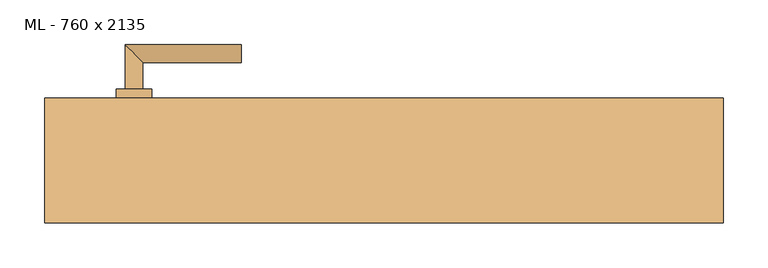
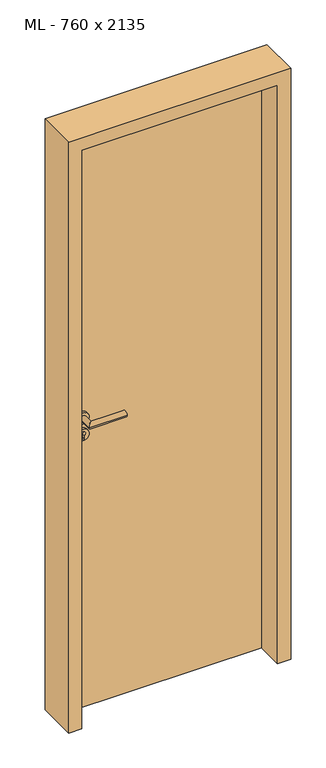
"""IFC4 building model written with IfcOpenShell, lengths in millimetres: door geometry, ML - 760 x 2135."""

from ifc_helpers import new_model, si_unit, point, frame, frame_2d, origin, origin_with_axes, place, context, project, spatial, polyline, circle_curve, ellipse_curve, trimmed, segment, composite_curve, outline, extrude, faceted_brep, source, transform, mapped, element, save
from ifc_brep_helpers import plane_surface, cylinder_surface, advanced_brep


def ml_760_x_2135_2df7d46e(model_context):
    return source(origin(), model_context, "Body", "SolidModel", [
        extrude(outline(polyline([(346.0, 70.0), (346.0, 25.0), (-346.0, 25.0), (-346.0, 70.0), (346.0, 70.0)])), origin_with_axes(), (0.0, 0.0, 1.0), 2101.0),
        advanced_brep(
        [(-270.0, 80.0, 1050.0), (-290.0, 80.0, 1050.0), (-270.0, 110.0, 1050.0), (-290.0, 130.0, 1050.0), (-160.0, 110.0, 1050.0), (-160.0, 130.0, 1050.0)],
        [
            (0, 1, circle_curve(frame((-280.0, 80.0, 1050.0), z_axis=(0.0, -1.0, 0.0), x_axis=(-1.0, 0.0, 0.0)), 10.0)),
            (1, 0, circle_curve(frame((-280.0, 80.0, 1050.0), z_axis=(0.0, -1.0, 0.0), x_axis=(-1.0, 0.0, 0.0)), 10.0)),
            (0, 2),
            (2, 3, ellipse_curve(frame((-280.0, 120.0, 1050.0), z_axis=(-0.7071067811865531, -0.7071067811865419, 0.0), x_axis=(0.707106781186542, -0.707106781186553, 0.0)), 14.1421356, 10.0)),
            (3, 1),
            (3, 2, ellipse_curve(frame((-280.0, 120.0, 1050.0), z_axis=(-0.7071067811865531, -0.7071067811865419, 0.0), x_axis=(0.707106781186542, -0.707106781186553, 0.0)), 14.1421356, 10.0)),
            (4, 5, circle_curve(frame((-160.0, 120.0, 1050.0), z_axis=(1.0, 0.0, 0.0), x_axis=(0.0, 1.0, 0.0)), 10.0)),
            (5, 4, circle_curve(frame((-160.0, 120.0, 1050.0), z_axis=(1.0, 0.0, 0.0), x_axis=(0.0, 1.0, 0.0)), 10.0)),
            (2, 4),
            (5, 3),
        ],
        [
            plane_surface(frame((-280.0, 80.0, 1050.0), z_axis=(0.0, -1.0, 0.0), x_axis=(0.0, 0.0, 1.0))),
            cylinder_surface(frame((-280.0, 80.0, 1050.0), z_axis=(0.0, -1.0, 0.0), x_axis=(-1.0, 0.0, 0.0)), 10.0),
            plane_surface(frame((-160.0, 120.0, 1050.0), z_axis=(1.0, 0.0, 0.0), x_axis=(0.0, 0.0, 1.0))),
            cylinder_surface(frame((-280.0, 120.0, 1050.0), z_axis=(-1.0, 0.0, 0.0), x_axis=(0.0, 1.0, 0.0)), 10.0),
        ],
        [
            (0, [[1, 2]]),
            (1, [[-1, 3, 4, 5]]),
            (1, [[-2, -5, 6, -3]]),
            (2, [[7, 8]]),
            (3, [[-4, 9, -8, 10]]),
            (3, [[-6, -10, -7, -9]]),
        ],
    ),
        extrude(outline(composite_curve([segment(trimmed(circle_curve(frame_2d((990.0, -280.0)), 20.0), [point((990.0, -300.0))], [point((990.0, -260.0))], False, "CARTESIAN"), True, "CONTINUOUS"), segment(trimmed(circle_curve(frame_2d((990.0, -280.0)), 20.0), [point((990.0, -260.0))], [point((990.0, -300.0))], False, "CARTESIAN"), True, "CONTINUOUS")], self_intersect=False), holes=[composite_curve([segment(polyline([(976.4601385, -282.397268), (988.4749012, -282.397268)]), True, "CONTINUOUS"), segment(trimmed(circle_curve(frame_2d((995.0361633, -280.0)), 6.9854888), [point((988.4749012, -282.397268))], [point((988.4749012, -277.602732))], True, "CARTESIAN"), True, "CONTINUOUS"), segment(polyline([(988.4749012, -277.602732), (976.4601385, -277.602732)]), True, "CONTINUOUS"), segment(trimmed(circle_curve(frame_2d((976.4601385, -280.0)), 2.397268), [point((976.4601385, -277.602732))], [point((976.4601385, -282.397268))], True, "CARTESIAN"), True, "CONTINUOUS")], self_intersect=False)]), frame((0.0, 70.0, 0.0), z_axis=(0.0, 1.0, 0.0), x_axis=(0.0, 0.0, 1.0)), (0.0, 0.0, 1.0), 10.0),
        advanced_brep(
        [(-270.0, 80.0, 1050.0), (-290.0, 80.0, 1050.0), (-270.0, 110.0, 1050.0), (-290.0, 130.0, 1050.0), (-160.0, 110.0, 1050.0), (-160.0, 130.0, 1050.0)],
        [
            (0, 1, circle_curve(frame((-280.0, 80.0, 1050.0), z_axis=(0.0, -1.0, 0.0), x_axis=(-1.0, 0.0, 0.0)), 10.0)),
            (1, 0, circle_curve(frame((-280.0, 80.0, 1050.0), z_axis=(0.0, -1.0, 0.0), x_axis=(-1.0, 0.0, 0.0)), 10.0)),
            (0, 2),
            (2, 3, ellipse_curve(frame((-280.0, 120.0, 1050.0), z_axis=(-0.7071067811865537, -0.7071067811865414, 0.0), x_axis=(0.7071067811865414, -0.7071067811865536, 0.0)), 14.1421356, 10.0)),
            (3, 1),
            (3, 2, ellipse_curve(frame((-280.0, 120.0, 1050.0), z_axis=(-0.7071067811865537, -0.7071067811865414, 0.0), x_axis=(0.7071067811865414, -0.7071067811865536, 0.0)), 14.1421356, 10.0)),
            (4, 5, circle_curve(frame((-160.0, 120.0, 1050.0), z_axis=(1.0, 0.0, 0.0), x_axis=(0.0, 1.0, 0.0)), 10.0)),
            (5, 4, circle_curve(frame((-160.0, 120.0, 1050.0), z_axis=(1.0, 0.0, 0.0), x_axis=(0.0, 1.0, 0.0)), 10.0)),
            (2, 4),
            (5, 3),
        ],
        [
            plane_surface(frame((-280.0, 80.0, 1050.0), z_axis=(0.0, -1.0, 0.0), x_axis=(0.0, 0.0, 1.0))),
            cylinder_surface(frame((-280.0, 80.0, 1050.0), z_axis=(0.0, -1.0, 0.0), x_axis=(-1.0, 0.0, 0.0)), 10.0),
            plane_surface(frame((-160.0, 120.0, 1050.0), z_axis=(1.0, 0.0, 0.0), x_axis=(0.0, 0.0, 1.0))),
            cylinder_surface(frame((-280.0, 120.0, 1050.0), z_axis=(-1.0, 0.0, 0.0), x_axis=(0.0, 1.0, 0.0)), 10.0),
        ],
        [
            (0, [[1, 2]]),
            (1, [[-1, 3, 4, 5]]),
            (1, [[-2, -5, 6, -3]]),
            (2, [[7, 8]]),
            (3, [[-4, 9, -8, 10]]),
            (3, [[-6, -10, -7, -9]]),
        ],
    ),
        extrude(outline(composite_curve([segment(trimmed(circle_curve(frame_2d((1050.0, -280.0)), 20.0), [point((1050.0, -300.0))], [point((1050.0, -260.0))], False, "CARTESIAN"), True, "CONTINUOUS"), segment(trimmed(circle_curve(frame_2d((1050.0, -280.0)), 20.0), [point((1050.0, -260.0))], [point((1050.0, -300.0))], False, "CARTESIAN"), True, "CONTINUOUS")], self_intersect=False)), frame((0.0, 70.0, 0.0), z_axis=(0.0, 1.0, 0.0), x_axis=(0.0, 0.0, 1.0)), (0.0, 0.0, 1.0), 10.0),
        advanced_brep(
        [(-270.0, 15.0, 1050.0), (-290.0, 15.0, 1050.0), (-290.0, -35.0, 1050.0), (-270.0, -15.0, 1050.0), (-160.0, -15.0, 1050.0), (-160.0, -35.0, 1050.0)],
        [
            (0, 1, circle_curve(frame((-280.0, 15.0, 1050.0), z_axis=(0.0, 1.0, 0.0), x_axis=(-1.0, 0.0, 0.0)), 10.0)),
            (1, 0, circle_curve(frame((-280.0, 15.0, 1050.0), z_axis=(0.0, 1.0, 0.0), x_axis=(-1.0, 0.0, 0.0)), 10.0)),
            (1, 2),
            (2, 3, ellipse_curve(frame((-280.0, -25.0, 1050.0), z_axis=(-0.7071067811865486, 0.7071067811865464, 0.0), x_axis=(0.7071067811865464, 0.7071067811865488, 0.0)), 14.1421356, 10.0)),
            (3, 0),
            (3, 2, ellipse_curve(frame((-280.0, -25.0, 1050.0), z_axis=(-0.7071067811865486, 0.7071067811865464, 0.0), x_axis=(0.7071067811865464, 0.7071067811865488, 0.0)), 14.1421356, 10.0)),
            (4, 5, circle_curve(frame((-160.0, -25.0, 1050.0), z_axis=(1.0, 0.0, 0.0), x_axis=(0.0, -1.0, 0.0)), 10.0)),
            (5, 4, circle_curve(frame((-160.0, -25.0, 1050.0), z_axis=(1.0, 0.0, 0.0), x_axis=(0.0, -1.0, 0.0)), 10.0)),
            (2, 5),
            (4, 3),
        ],
        [
            plane_surface(frame((-280.0, 15.0, 1050.0), z_axis=(0.0, 1.0, 0.0), x_axis=(0.0, 0.0, 1.0))),
            cylinder_surface(frame((-280.0, 15.0, 1050.0), z_axis=(0.0, 1.0, 0.0), x_axis=(-1.0, 0.0, 0.0)), 10.0),
            plane_surface(frame((-160.0, -25.0, 1050.0), z_axis=(1.0, 0.0, 0.0), x_axis=(0.0, 0.0, 1.0))),
            cylinder_surface(frame((-280.0, -25.0, 1050.0), z_axis=(-1.0, 0.0, 0.0), x_axis=(0.0, -1.0, 0.0)), 10.0),
        ],
        [
            (0, [[1, 2]]),
            (1, [[3, 4, 5, -2]]),
            (1, [[-5, 6, -3, -1]]),
            (2, [[7, 8]]),
            (3, [[9, -7, 10, -4]]),
            (3, [[-10, -8, -9, -6]]),
        ],
    ),
        extrude(outline(composite_curve([segment(trimmed(circle_curve(frame_2d((990.0, -280.0)), 20.0), [point((990.0, -300.0))], [point((990.0, -260.0))], False, "CARTESIAN"), True, "CONTINUOUS"), segment(trimmed(circle_curve(frame_2d((990.0, -280.0)), 20.0), [point((990.0, -260.0))], [point((990.0, -300.0))], False, "CARTESIAN"), True, "CONTINUOUS")], self_intersect=False), holes=[composite_curve([segment(polyline([(976.4601385, -282.397268), (988.4749012, -282.397268)]), True, "CONTINUOUS"), segment(trimmed(circle_curve(frame_2d((995.0361633, -280.0)), 6.9854888), [point((988.4749012, -282.397268))], [point((988.4749012, -277.602732))], True, "CARTESIAN"), True, "CONTINUOUS"), segment(polyline([(988.4749012, -277.602732), (976.4601385, -277.602732)]), True, "CONTINUOUS"), segment(trimmed(circle_curve(frame_2d((976.4601385, -280.0)), 2.397268), [point((976.4601385, -277.602732))], [point((976.4601385, -282.397268))], True, "CARTESIAN"), True, "CONTINUOUS")], self_intersect=False)]), frame((0.0, 15.0, 0.0), z_axis=(0.0, 1.0, 0.0), x_axis=(0.0, 0.0, 1.0)), (0.0, 0.0, 1.0), 10.0),
        advanced_brep(
        [(-270.0, 15.0, 1050.0), (-290.0, 15.0, 1050.0), (-290.0, -35.0, 1050.0), (-270.0, -15.0, 1050.0), (-160.0, -15.0, 1050.0), (-160.0, -35.0, 1050.0)],
        [
            (0, 1, circle_curve(frame((-280.0, 15.0, 1050.0), z_axis=(0.0, 1.0, 0.0), x_axis=(-1.0, 0.0, 0.0)), 10.0)),
            (1, 0, circle_curve(frame((-280.0, 15.0, 1050.0), z_axis=(0.0, 1.0, 0.0), x_axis=(-1.0, 0.0, 0.0)), 10.0)),
            (1, 2),
            (2, 3, ellipse_curve(frame((-280.0, -25.0, 1050.0), z_axis=(-0.7071067811865491, 0.7071067811865459, 0.0), x_axis=(0.7071067811865458, 0.7071067811865492, 0.0)), 14.1421356, 10.0)),
            (3, 0),
            (3, 2, ellipse_curve(frame((-280.0, -25.0, 1050.0), z_axis=(-0.7071067811865491, 0.7071067811865459, 0.0), x_axis=(0.7071067811865458, 0.7071067811865492, 0.0)), 14.1421356, 10.0)),
            (4, 5, circle_curve(frame((-160.0, -25.0, 1050.0), z_axis=(1.0, 0.0, 0.0), x_axis=(0.0, -1.0, 0.0)), 10.0)),
            (5, 4, circle_curve(frame((-160.0, -25.0, 1050.0), z_axis=(1.0, 0.0, 0.0), x_axis=(0.0, -1.0, 0.0)), 10.0)),
            (2, 5),
            (4, 3),
        ],
        [
            plane_surface(frame((-280.0, 15.0, 1050.0), z_axis=(0.0, 1.0, 0.0), x_axis=(0.0, 0.0, 1.0))),
            cylinder_surface(frame((-280.0, 15.0, 1050.0), z_axis=(0.0, 1.0, 0.0), x_axis=(-1.0, 0.0, 0.0)), 10.0),
            plane_surface(frame((-160.0, -25.0, 1050.0), z_axis=(1.0, 0.0, 0.0), x_axis=(0.0, 0.0, 1.0))),
            cylinder_surface(frame((-280.0, -25.0, 1050.0), z_axis=(-1.0, 0.0, 0.0), x_axis=(0.0, -1.0, 0.0)), 10.0),
        ],
        [
            (0, [[1, 2]]),
            (1, [[3, 4, 5, -2]]),
            (1, [[-5, 6, -3, -1]]),
            (2, [[7, 8]]),
            (3, [[9, -7, 10, -4]]),
            (3, [[-10, -8, -9, -6]]),
        ],
    ),
        extrude(outline(composite_curve([segment(trimmed(circle_curve(frame_2d((1050.0, -280.0)), 20.0), [point((1050.0, -300.0))], [point((1050.0, -260.0))], False, "CARTESIAN"), True, "CONTINUOUS"), segment(trimmed(circle_curve(frame_2d((1050.0, -280.0)), 20.0), [point((1050.0, -260.0))], [point((1050.0, -300.0))], False, "CARTESIAN"), True, "CONTINUOUS")], self_intersect=False)), frame((0.0, 15.0, 0.0), z_axis=(0.0, 1.0, 0.0), x_axis=(0.0, 0.0, 1.0)), (0.0, 0.0, 1.0), 10.0),
        faceted_brep([(-350.0, 70.0, 0.0), (-350.0, 25.0, 0.0), (-335.0, 25.0, 0.0), (-335.0, -70.0, 0.0), (-380.0, -70.0, 0.0), (-380.0, 70.0, 0.0), (-350.0, 70.0, 2105.0), (-350.0, 25.0, 2105.0), (350.0, 25.0, 2105.0), (350.0, 25.0, 0.0), (335.0, 25.0, 0.0), (335.0, 25.0, 2090.0), (-335.0, 25.0, 2090.0), (-335.0, -70.0, 2090.0), (335.0, -70.0, 2090.0), (335.0, -70.0, 0.0), (380.0, -70.0, 0.0), (380.0, -70.0, 2135.0), (-380.0, -70.0, 2135.0), (-380.0, 70.0, 2135.0), (380.0, 70.0, 2135.0), (380.0, 70.0, 0.0), (350.0, 70.0, 0.0), (350.0, 70.0, 2105.0)], [[[0, 1, 2, 3, 4, 5]], [[1, 0, 6, 7]], [[2, 1, 7, 8, 9, 10, 11, 12]], [[3, 2, 12, 13]], [[4, 3, 13, 14, 15, 16, 17, 18]], [[5, 4, 18, 19]], [[0, 5, 19, 20, 21, 22, 23, 6]], [[20, 17, 16, 21]], [[22, 21, 16, 15, 10, 9]], [[8, 23, 22, 9]], [[14, 11, 10, 15]], [[19, 18, 17, 20]], [[13, 12, 11, 14]], [[7, 6, 23, 8]]]),
    ])


if __name__ == "__main__":
    model = new_model("IFC4")
    model_context = context("Model", 3, world=origin())
    ifc_project = project(units=[si_unit("LENGTHUNIT", "METRE", prefix="MILLI")], contexts=[model_context])
    site = spatial("IfcSite", under=ifc_project)
    building = spatial("IfcBuilding", under=site)
    placement = place(None, origin())
    ml_760_x_2135_shape = ml_760_x_2135_2df7d46e(model_context)
    element("IfcDoor", 1, ObjectType="ML - 760 x 2135", at=placement, inside=building, context=model_context, shape_type="MappedRepresentation", body=[
        mapped(ml_760_x_2135_shape, transform((0.0, 0.0, 0.0), x_axis=(1.0, 0.0, 0.0), y_axis=(0.0, 1.0, 0.0), z_axis=(0.0, 0.0, 1.0))),
    ])
    save(model, "model.ifc")
